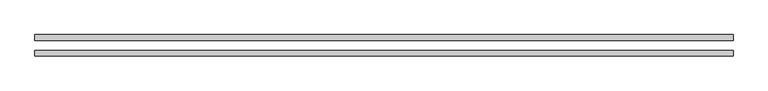
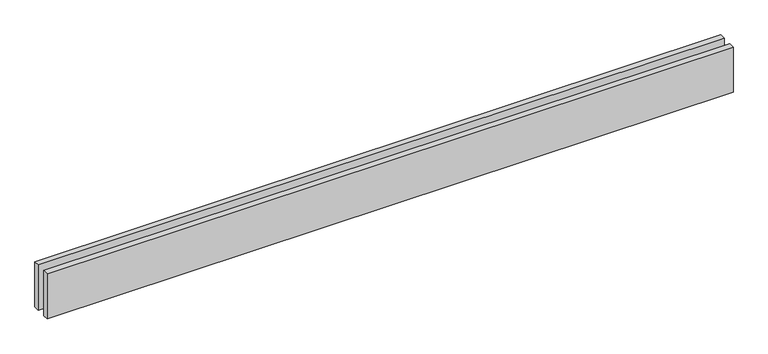
"""IFC4 building model written with IfcOpenShell, lengths in millimetres: proxy geometry."""

from ifc_helpers import new_model, si_unit, origin, origin_with_axes, place, context, project, spatial, polyline, outline, extrude, source, transform, mapped, element, save


def generic_models_e0d721ab(model_context):
    return source(origin(), model_context, "Body", "SweptSolid", [
        extrude(outline(polyline([(3579.7691321, 25.0), (0.0, 25.0), (0.0, 55.0), (3579.7691321, 55.0), (3579.7691321, 25.0)])), origin_with_axes(), (0.0, 0.0, 1.0), 250.0),
        extrude(outline(polyline([(3579.7691321, -55.0), (0.0, -55.0), (0.0, -25.0), (3579.7691321, -25.0), (3579.7691321, -55.0)])), origin_with_axes(), (0.0, 0.0, 1.0), 250.0),
    ])


if __name__ == "__main__":
    model = new_model("IFC4")
    model_context = context("Model", 3, world=origin())
    ifc_project = project(units=[si_unit("LENGTHUNIT", "METRE", prefix="MILLI")], contexts=[model_context])
    site = spatial("IfcSite", under=ifc_project)
    building = spatial("IfcBuilding", under=site)
    placement = place(None, origin())
    generic_models_shape = generic_models_e0d721ab(model_context)
    element("IfcBuildingElementProxy", 1, Name="Generic Models", at=placement, inside=building, context=model_context, shape_type="MappedRepresentation", body=[
        mapped(generic_models_shape, transform((0.0, 0.0, 0.0), x_axis=(1.0, 0.0, 0.0), y_axis=(0.0, 1.0, 0.0), z_axis=(0.0, 0.0, 1.0))),
    ])
    save(model, "model.ifc")
